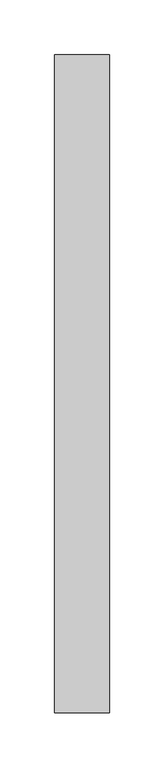
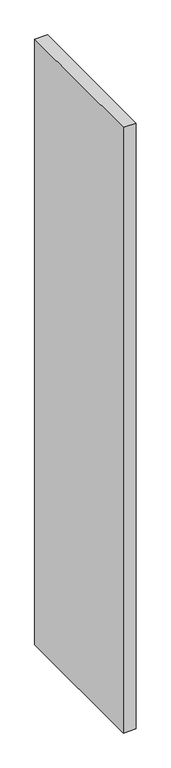
"""IFC4 building model written with IfcOpenShell, lengths in millimetres: proxy geometry."""

from ifc_helpers import new_model, si_unit, origin, origin_with_axes, place, context, project, spatial, polyline, outline, extrude, source, transform, mapped, element, save


def generic_models_377d0b90(model_context):
    return source(origin(), model_context, "Body", "SweptSolid", [
        extrude(outline(polyline([(25.0000103, -299.9994478), (-25.0000318, -299.9994482), (-25.0000103, 299.9994478), (25.0000318, 299.9994482), (25.0000103, -299.9994478)])), origin_with_axes(), (0.0, 0.0, 1.0), 2500.0),
    ])


if __name__ == "__main__":
    model = new_model("IFC4")
    model_context = context("Model", 3, world=origin())
    ifc_project = project(units=[si_unit("LENGTHUNIT", "METRE", prefix="MILLI")], contexts=[model_context])
    site = spatial("IfcSite", under=ifc_project)
    building = spatial("IfcBuilding", under=site)
    placement = place(None, origin())
    generic_models_shape = generic_models_377d0b90(model_context)
    element("IfcBuildingElementProxy", 1, Name="Generic Models", at=placement, inside=building, context=model_context, shape_type="MappedRepresentation", body=[
        mapped(generic_models_shape, transform((0.0, 0.0, 0.0), x_axis=(1.0, 0.0, 0.0), y_axis=(0.0, 1.0, 0.0), z_axis=(0.0, 0.0, 1.0))),
    ])
    save(model, "model.ifc")
